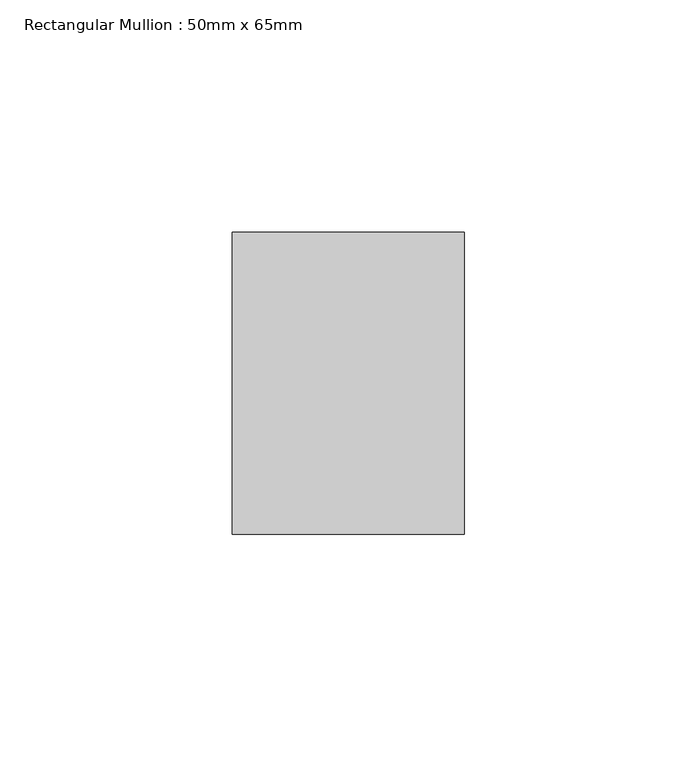
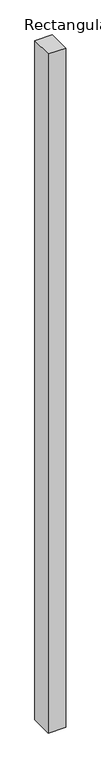
"""IFC4 building model written with IfcOpenShell, lengths in millimetres: member geometry, Rectangular Mullion : 50mm x 65mm."""

from ifc_helpers import new_model, si_unit, frame, origin, place, context, project, spatial, polyline, outline, extrude, source, transform, mapped, element, save


def rectangular_mullion_50mm_x_65mm_bacf4767(model_context):
    return source(origin(), model_context, "Body", "SweptSolid", [
        extrude(outline(polyline([(25.0, 32.5), (25.0, -32.5), (-25.0, -32.5), (-25.0, 32.5), (25.0, 32.5)])), frame((0.0, 0.0, -2042.0390954), z_axis=(0.0, 0.0, 1.0), x_axis=(1.0, 0.0, 0.0)), (0.0, 0.0, 1.0), 2042.0390954),
    ])


if __name__ == "__main__":
    model = new_model("IFC4")
    model_context = context("Model", 3, world=origin())
    ifc_project = project(units=[si_unit("LENGTHUNIT", "METRE", prefix="MILLI")], contexts=[model_context])
    site = spatial("IfcSite", under=ifc_project)
    building = spatial("IfcBuilding", under=site)
    placement = place(None, origin())
    rectangular_mullion_50mm_x_65mm_shape = rectangular_mullion_50mm_x_65mm_bacf4767(model_context)
    element("IfcMember", 1, ObjectType="Rectangular Mullion : 50mm x 65mm", at=placement, inside=building, context=model_context, shape_type="MappedRepresentation", body=[
        mapped(rectangular_mullion_50mm_x_65mm_shape, transform((0.0, 0.0, 0.0), x_axis=(1.0, 0.0, 0.0), y_axis=(0.0, 1.0, 0.0), z_axis=(0.0, 0.0, 1.0))),
    ])
    save(model, "model.ifc")
